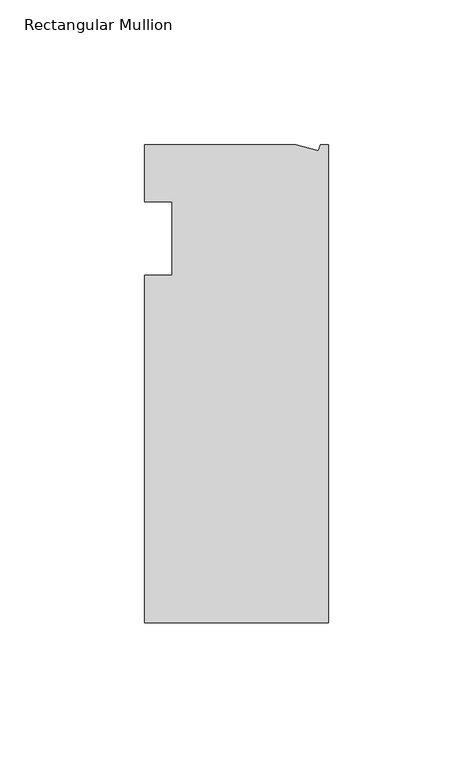
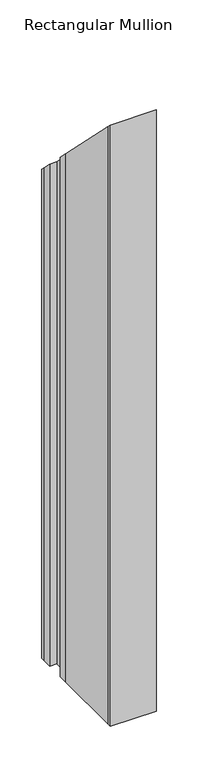
"""IFC4 building model written with IfcOpenShell, lengths in millimetres: member geometry, Rectangular Mullion."""

import ifcopenshell
import ifcopenshell.guid

model = None  # the IFC model being written
_history = None  # IfcOwnerHistory: only IFC2X3 demands one
_inside = {}  # id of a spatial element -> (the spatial element, [elements in it])
_under = {}  # id of a project, library or spatial element -> (it, [spatial elements below it])
_declared = {}  # id of a project -> (the project, [libraries it declares])
_typed = {}  # id of a type object -> (the type object, [elements of that type])
_made_of = {}  # id of a material, layer set ... -> (it, [elements and type objects made of it])


def new_model(schema):
    """Start an empty IFC model of exactly this schema.

    Asked for "IFC4X3", IfcOpenShell would pick the latest addendum, in which some entities
    have other attributes; the version numbers below select the first issue.
    IFC2X3 requires an IfcOwnerHistory on every rooted entity: one is made here for all.
    """
    global model, _history
    if schema == "IFC4X3":
        model = ifcopenshell.file(schema_version=(4, 3, 0, 0))
    else:
        model = ifcopenshell.file(schema=schema)
    _inside.clear()
    _under.clear()
    _declared.clear()
    _typed.clear()
    _made_of.clear()
    _history = None
    if model.schema == "IFC2X3":
        org = make("IfcOrganization", Name="unknown")
        user = make(
            "IfcPersonAndOrganization",
            ThePerson=make("IfcPerson", FamilyName="unknown"),
            TheOrganization=org,
        )
        app = make(
            "IfcApplication",
            ApplicationDeveloper=org,
            Version="unknown",
            ApplicationFullName="unknown",
            ApplicationIdentifier="unknown",
        )
        _history = make(
            "IfcOwnerHistory",
            OwningUser=user,
            OwningApplication=app,
            ChangeAction="ADDED",
            CreationDate=0,
        )
    return model


def make(cls, **values):
    """One entity of the class cls with the attributes given. An attribute that is None is left unset."""
    return model.create_entity(
        cls, **{name: value for name, value in values.items() if value is not None}
    )


def rooted(cls, **values):
    """An entity with a GlobalId (a new one), such as an element, a storey or a relation."""
    return make(cls, GlobalId=ifcopenshell.guid.new(), OwnerHistory=_history, **values)


def si_unit(unit_type, name, prefix=None):
    """IfcSIUnit, for example si_unit("LENGTHUNIT", "METRE", prefix="MILLI")."""
    return make("IfcSIUnit", UnitType=unit_type, Prefix=prefix, Name=name)


def assignment(units):
    """IfcUnitAssignment: the units of a project."""
    return None if units is None else make("IfcUnitAssignment", Units=units)


def point(xyz):
    """IfcCartesianPoint."""
    return None if xyz is None else make("IfcCartesianPoint", Coordinates=xyz)


def direction(xyz):
    """IfcDirection."""
    return None if xyz is None else make("IfcDirection", DirectionRatios=xyz)


def frame(location, z_axis=None, x_axis=None):
    """IfcAxis2Placement3D, a coordinate frame: its origin and axes. An axis left out is left unset."""
    return make(
        "IfcAxis2Placement3D",
        Location=point(location),
        Axis=direction(z_axis),
        RefDirection=direction(x_axis),
    )


def origin():
    """The frame at (0, 0, 0) with its axes left unset."""
    return frame((0.0, 0.0, 0.0))


def place(relative_to, where):
    """IfcLocalPlacement: puts the frame where relative to a parent placement (None: the world)."""
    return make(
        "IfcLocalPlacement", PlacementRelTo=relative_to, RelativePlacement=where
    )


def context(
    kind, dimensions, precision=None, world=None, true_north=None, identifier=None
):
    """IfcGeometricRepresentationContext, for example the 3D "Model" context."""
    return make(
        "IfcGeometricRepresentationContext",
        ContextIdentifier=identifier,
        ContextType=kind,
        CoordinateSpaceDimension=dimensions,
        Precision=precision,
        WorldCoordinateSystem=world,
        TrueNorth=true_north,
    )


def project(units=None, contexts=None):
    """IfcProject with its units and contexts."""
    return rooted(
        "IfcProject",
        Name="project",
        RepresentationContexts=contexts,
        UnitsInContext=assignment(units),
    )


def spatial(cls, under=None, at=None, **own):
    """A site, building, storey or space (cls), placed at a placement, below another one or the project."""
    s = rooted(cls, ObjectPlacement=at, **own)
    if under is not None:
        _under.setdefault(under.id(), (under, []))[1].append(s)
    return s


def faces_of(points, faces, orient=None, outer=None):
    """IfcFace entities. A face is a list of loops; a loop is a list of indices into points, from 0.

    orient and outer hold one flag for each loop. By default every Orientation is true, the
    first loop of a face is its IfcFaceOuterBound and the others are IfcFaceBound.
    """
    made = []
    for i, loops in enumerate(faces):
        bounds = []
        for j, loop in enumerate(loops):
            is_outer = j == 0 if outer is None else outer[i][j]
            bounds.append(
                make(
                    "IfcFaceOuterBound" if is_outer else "IfcFaceBound",
                    Bound=make("IfcPolyLoop", Polygon=[points[k] for k in loop]),
                    Orientation=True if orient is None else orient[i][j],
                )
            )
        made.append(make("IfcFace", Bounds=bounds))
    return made


def faceted_brep(points, faces, orient=None, outer=None, voids=None):
    """IfcFacetedBrep: a solid bounded by flat faces; with voids (closed shells), ...WithVoids."""
    shared = [point(p) for p in points]
    hull = make("IfcClosedShell", CfsFaces=faces_of(shared, faces, orient, outer))
    if voids is None:
        return make("IfcFacetedBrep", Outer=hull)
    return make(
        "IfcFacetedBrepWithVoids",
        Outer=hull,
        Voids=[
            make(cls, CfsFaces=faces_of(shared, fs, o, b)) for cls, fs, o, b in voids
        ],
    )


def shape(context_of_items, identifier, shape_type, items):
    """IfcShapeRepresentation: the items that make up one representation, for example the "Body"."""
    return make(
        "IfcShapeRepresentation",
        ContextOfItems=context_of_items,
        RepresentationIdentifier=identifier,
        RepresentationType=shape_type,
        Items=items,
    )


def source(mapping_origin, context_of_items, identifier, shape_type, items):
    """IfcRepresentationMap: a shape defined once, which mapped items show again and again."""
    return make(
        "IfcRepresentationMap",
        MappingOrigin=mapping_origin,
        MappedRepresentation=shape(context_of_items, identifier, shape_type, items),
    )


def transform(
    local_origin,
    x_axis=None,
    y_axis=None,
    z_axis=None,
    scale=None,
    scale2=None,
    scale3=None,
    uniform=True,
):
    """IfcCartesianTransformationOperator3D, or its non-uniform kind. x_axis, y_axis, z_axis: its Axis1, 2, 3."""
    if uniform:
        return make(
            "IfcCartesianTransformationOperator3D",
            Axis1=direction(x_axis),
            Axis2=direction(y_axis),
            LocalOrigin=point(local_origin),
            Scale=scale,
            Axis3=direction(z_axis),
        )
    return make(
        "IfcCartesianTransformationOperator3DnonUniform",
        Axis1=direction(x_axis),
        Axis2=direction(y_axis),
        LocalOrigin=point(local_origin),
        Scale=scale,
        Axis3=direction(z_axis),
        Scale2=scale2,
        Scale3=scale3,
    )


def mapped(mapping_source, mapping_target):
    """IfcMappedItem: shows the shape of a source again, moved by a transform."""
    return make(
        "IfcMappedItem", MappingSource=mapping_source, MappingTarget=mapping_target
    )


def made_of(thing, what):
    """Note that an element or type object is made of a material, layer set ...; save() writes the relation."""
    if what is not None:
        _made_of.setdefault(what.id(), (what, []))[1].append(thing)
    return thing


def element(
    cls,
    number,
    at=None,
    inside=None,
    cuts=None,
    type_object=None,
    material=None,
    context=None,
    identifier="Body",
    shape_type=None,
    held_by="IfcProductDefinitionShape",
    body=None,
    shapes=None,
    **own,
):
    """One element of the class cls, such as IfcWall. Its Tag is "e" and its number.

    at: its placement. inside: the storey or other place that contains it. cuts: it is an
    opening in that element (IfcRelVoidsElement). A single representation is given by context,
    identifier, shape_type and body (its items); several are given by shapes. held_by: the class
    of the entity that holds the representations. save() writes the other relations.
    """
    e = rooted(cls, Tag="e%d" % number, ObjectPlacement=at, **own)
    if body is not None:
        shapes = [shape(context, identifier, shape_type, body)]
    if shapes is not None:
        e.Representation = make(held_by, Representations=shapes)
    if inside is not None:
        _inside.setdefault(inside.id(), (inside, []))[1].append(e)
    if cuts is not None:
        rooted(
            "IfcRelVoidsElement", RelatingBuildingElement=cuts, RelatedOpeningElement=e
        )
    if type_object is not None:
        _typed.setdefault(type_object.id(), (type_object, []))[1].append(e)
    return made_of(e, material)


def aggregate(whole, parts):
    """IfcRelAggregates: a whole, such as a stair, and the parts it consists of."""
    return rooted("IfcRelAggregates", RelatingObject=whole, RelatedObjects=parts)


def save(model, path):
    """Write the relations noted so far, then the file.

    IfcRelAggregates (storeys below a building ...), IfcRelContainedInSpatialStructure (elements
    in a storey), IfcRelDefinesByType, IfcRelAssociatesMaterial and IfcRelDeclares: one each for
    every whole, place, type object, material and project.
    """
    for whole, parts in _under.values():
        aggregate(whole, parts)
    for where, things in _inside.values():
        rooted(
            "IfcRelContainedInSpatialStructure",
            RelatedElements=things,
            RelatingStructure=where,
        )
    for kind, things in _typed.values():
        rooted("IfcRelDefinesByType", RelatedObjects=things, RelatingType=kind)
    for what, things in _made_of.values():
        rooted("IfcRelAssociatesMaterial", RelatedObjects=things, RelatingMaterial=what)
    for by, libraries in _declared.values():
        rooted("IfcRelDeclares", RelatingContext=by, RelatedDefinitions=libraries)
    model.write(path)


def rectangular_mullion_6fcfea39(model_context):
    return source(origin(), model_context, "Body", "Brep", [
        faceted_brep([(-11.1265412, 19.6597595, -736.6), (-3.3457217, 17.5748952, -736.6), (-2.787084, 19.6597595, -736.6), (0.0, 19.6597595, -736.6), (0.0, -145.4402405, -736.6), (-63.5, -145.4402405, -736.6), (-63.5, -139.091245, -736.6), (-63.5, -38.3358837, -736.6), (-63.5, -25.4, -736.6), (-53.975, -25.4, -736.6), (-53.975, 0.0, -736.6), (-63.5, 0.0, -736.6), (-63.5, 13.6200033, -736.6), (-63.5, 19.6597595, -736.6), (-63.5, 19.6597595, -19.6597595), (-11.1265412, 19.6597595, -19.6597595), (-63.5, 0.0, 0.0), (-63.5, 13.6200033, -13.6200033), (-53.975, 0.0, 0.0), (-53.975, -25.4, 25.4), (-63.5, -25.4, 25.4), (-63.5, -139.091245, 139.091245), (-63.5, -38.3358837, 38.3358837), (0.0, -145.4402405, 145.4402405), (-63.5, -145.4402405, 145.4402405), (0.0, 19.6597595, -19.6597595), (-2.787084, 19.6597595, -19.6597595), (-3.3457217, 17.5748952, -17.5748952)], [[[0, 1, 2, 3, 4, 5, 6, 7, 8, 9, 10, 11, 12, 13]], [[14, 15, 0, 13]], [[16, 17, 12, 11]], [[18, 16, 11, 10]], [[19, 18, 10, 9]], [[20, 19, 9, 8]], [[21, 22, 7, 6]], [[23, 24, 5, 4]], [[25, 23, 4, 3]], [[26, 25, 3, 2]], [[27, 26, 2, 1]], [[15, 27, 1, 0]], [[15, 14, 17, 16, 18, 19, 20, 22, 21, 24, 23, 25, 26, 27]], [[24, 21, 6, 5]], [[17, 14, 13, 12]], [[22, 20, 8, 7]]]),
    ])


if __name__ == "__main__":
    model = new_model("IFC4")
    model_context = context("Model", 3, world=origin())
    ifc_project = project(units=[si_unit("LENGTHUNIT", "METRE", prefix="MILLI")], contexts=[model_context])
    site = spatial("IfcSite", under=ifc_project)
    building = spatial("IfcBuilding", under=site)
    placement = place(None, origin())
    rectangular_mullion_shape = rectangular_mullion_6fcfea39(model_context)
    element("IfcMember", 1, ObjectType="Rectangular Mullion", at=placement, inside=building, context=model_context, shape_type="MappedRepresentation", body=[
        mapped(rectangular_mullion_shape, transform((0.0, 0.0, 0.0), x_axis=(1.0, 0.0, 0.0), y_axis=(0.0, 1.0, 0.0), z_axis=(0.0, 0.0, 1.0))),
    ])
    save(model, "model.ifc")
